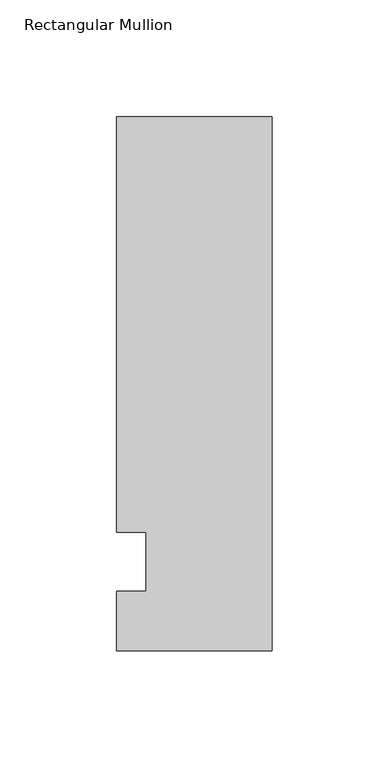
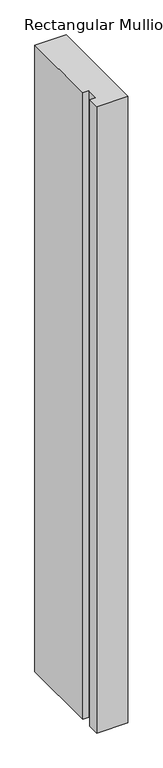
"""IFC4 building model written with IfcOpenShell, lengths in millimetres: member geometry, Rectangular Mullion."""

from ifc_helpers import new_model, si_unit, frame, origin, place, context, project, spatial, polyline, outline, extrude, source, transform, mapped, element, save


def rectangular_mullion_44d6ee39(model_context):
    return source(origin(), model_context, "Body", "SweptSolid", [
        extrude(outline(polyline([(-66.675, 190.5), (0.0, 190.5), (0.0, -38.1), (-66.675, -38.1), (-66.675, -12.7), (-53.9732296, -12.7), (-53.9732296, 12.7), (-66.675, 12.7), (-66.675, 190.5)])), frame((0.0, 0.0, -1416.1510693), z_axis=(0.0, 0.0, 1.0), x_axis=(1.0, 0.0, 0.0)), (0.0, 0.0, 1.0), 1416.1510693),
    ])


if __name__ == "__main__":
    model = new_model("IFC4")
    model_context = context("Model", 3, world=origin())
    ifc_project = project(units=[si_unit("LENGTHUNIT", "METRE", prefix="MILLI")], contexts=[model_context])
    site = spatial("IfcSite", under=ifc_project)
    building = spatial("IfcBuilding", under=site)
    placement = place(None, origin())
    rectangular_mullion_shape = rectangular_mullion_44d6ee39(model_context)
    element("IfcMember", 1, ObjectType="Rectangular Mullion", at=placement, inside=building, context=model_context, shape_type="MappedRepresentation", body=[
        mapped(rectangular_mullion_shape, transform((0.0, 0.0, 0.0), x_axis=(1.0, 0.0, 0.0), y_axis=(0.0, 1.0, 0.0), z_axis=(0.0, 0.0, 1.0))),
    ])
    save(model, "model.ifc")
